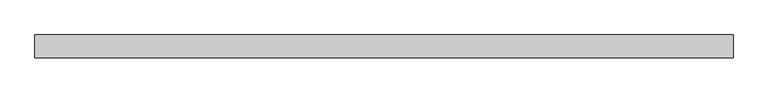
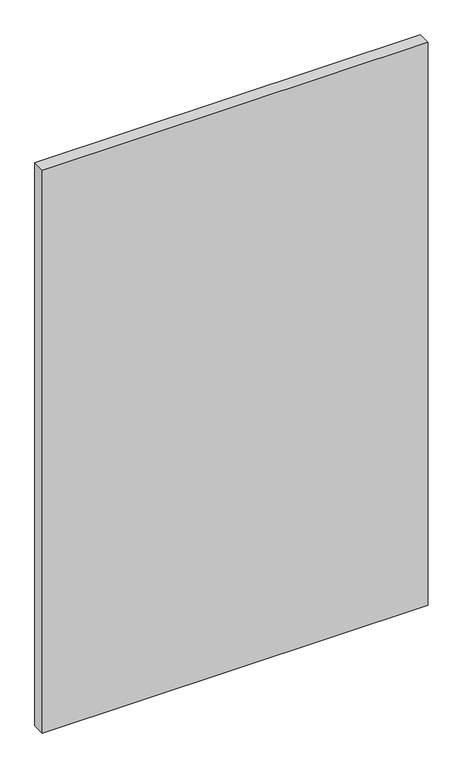
"""IFC4 building model written with IfcOpenShell, lengths in millimetres: plate geometry."""

from ifc_helpers import new_model, si_unit, origin, origin_with_axes, place, context, project, spatial, polyline, outline, extrude, source, transform, mapped, element, save


def plate_e1278f13(model_context):
    return source(origin(), model_context, "Body", "SweptSolid", [
        extrude(outline(polyline([(532.9791667, -17.5), (-532.9791667, -17.5), (-532.9791667, 17.5), (532.9791667, 17.5), (532.9791667, -17.5)])), origin_with_axes(), (0.0, 0.0, 1.0), 1643.8125),
    ])


if __name__ == "__main__":
    model = new_model("IFC4")
    model_context = context("Model", 3, world=origin())
    ifc_project = project(units=[si_unit("LENGTHUNIT", "METRE", prefix="MILLI")], contexts=[model_context])
    site = spatial("IfcSite", under=ifc_project)
    building = spatial("IfcBuilding", under=site)
    placement = place(None, origin())
    plate_shape = plate_e1278f13(model_context)
    element("IfcPlate", 1, at=placement, inside=building, context=model_context, shape_type="MappedRepresentation", body=[
        mapped(plate_shape, transform((0.0, 0.0, 0.0), x_axis=(1.0, 0.0, 0.0), y_axis=(0.0, 1.0, 0.0), z_axis=(0.0, 0.0, 1.0))),
    ])
    save(model, "model.ifc")
